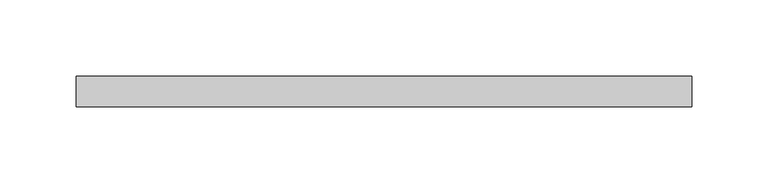
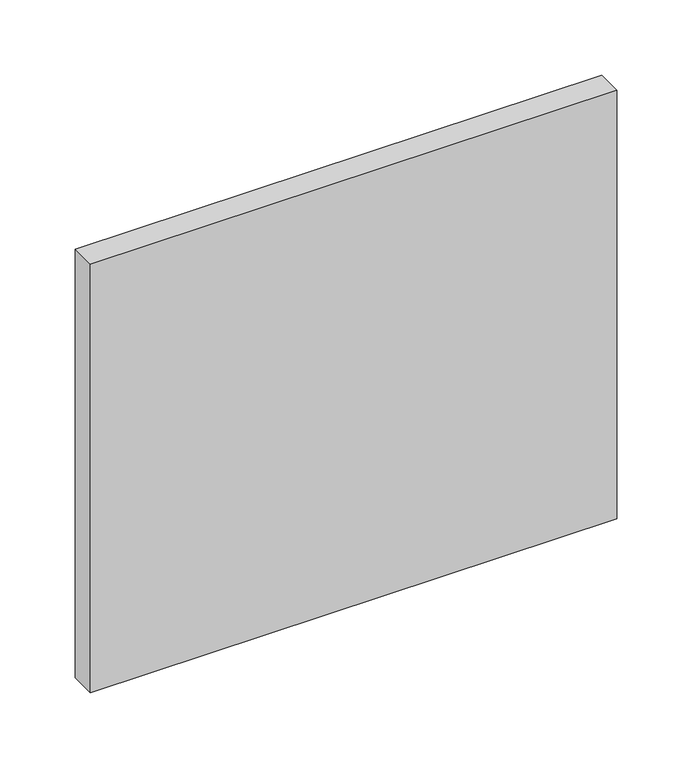
"""IFC4 building model written with IfcOpenShell, lengths in millimetres: plate geometry."""

import ifcopenshell
import ifcopenshell.guid

model = None  # the IFC model being written
_history = None  # IfcOwnerHistory: only IFC2X3 demands one
_inside = {}  # id of a spatial element -> (the spatial element, [elements in it])
_under = {}  # id of a project, library or spatial element -> (it, [spatial elements below it])
_declared = {}  # id of a project -> (the project, [libraries it declares])
_typed = {}  # id of a type object -> (the type object, [elements of that type])
_made_of = {}  # id of a material, layer set ... -> (it, [elements and type objects made of it])


def new_model(schema):
    """Start an empty IFC model of exactly this schema.

    Asked for "IFC4X3", IfcOpenShell would pick the latest addendum, in which some entities
    have other attributes; the version numbers below select the first issue.
    IFC2X3 requires an IfcOwnerHistory on every rooted entity: one is made here for all.
    """
    global model, _history
    if schema == "IFC4X3":
        model = ifcopenshell.file(schema_version=(4, 3, 0, 0))
    else:
        model = ifcopenshell.file(schema=schema)
    _inside.clear()
    _under.clear()
    _declared.clear()
    _typed.clear()
    _made_of.clear()
    _history = None
    if model.schema == "IFC2X3":
        org = make("IfcOrganization", Name="unknown")
        user = make(
            "IfcPersonAndOrganization",
            ThePerson=make("IfcPerson", FamilyName="unknown"),
            TheOrganization=org,
        )
        app = make(
            "IfcApplication",
            ApplicationDeveloper=org,
            Version="unknown",
            ApplicationFullName="unknown",
            ApplicationIdentifier="unknown",
        )
        _history = make(
            "IfcOwnerHistory",
            OwningUser=user,
            OwningApplication=app,
            ChangeAction="ADDED",
            CreationDate=0,
        )
    return model


def make(cls, **values):
    """One entity of the class cls with the attributes given. An attribute that is None is left unset."""
    return model.create_entity(
        cls, **{name: value for name, value in values.items() if value is not None}
    )


def rooted(cls, **values):
    """An entity with a GlobalId (a new one), such as an element, a storey or a relation."""
    return make(cls, GlobalId=ifcopenshell.guid.new(), OwnerHistory=_history, **values)


def si_unit(unit_type, name, prefix=None):
    """IfcSIUnit, for example si_unit("LENGTHUNIT", "METRE", prefix="MILLI")."""
    return make("IfcSIUnit", UnitType=unit_type, Prefix=prefix, Name=name)


def assignment(units):
    """IfcUnitAssignment: the units of a project."""
    return None if units is None else make("IfcUnitAssignment", Units=units)


def point(xyz):
    """IfcCartesianPoint."""
    return None if xyz is None else make("IfcCartesianPoint", Coordinates=xyz)


def direction(xyz):
    """IfcDirection."""
    return None if xyz is None else make("IfcDirection", DirectionRatios=xyz)


def frame(location, z_axis=None, x_axis=None):
    """IfcAxis2Placement3D, a coordinate frame: its origin and axes. An axis left out is left unset."""
    return make(
        "IfcAxis2Placement3D",
        Location=point(location),
        Axis=direction(z_axis),
        RefDirection=direction(x_axis),
    )


def origin():
    """The frame at (0, 0, 0) with its axes left unset."""
    return frame((0.0, 0.0, 0.0))


def origin_with_axes():
    """The frame at (0, 0, 0) with the z axis (0, 0, 1) and the x axis (1, 0, 0) written out."""
    return frame((0.0, 0.0, 0.0), z_axis=(0.0, 0.0, 1.0), x_axis=(1.0, 0.0, 0.0))


def place(relative_to, where):
    """IfcLocalPlacement: puts the frame where relative to a parent placement (None: the world)."""
    return make(
        "IfcLocalPlacement", PlacementRelTo=relative_to, RelativePlacement=where
    )


def context(
    kind, dimensions, precision=None, world=None, true_north=None, identifier=None
):
    """IfcGeometricRepresentationContext, for example the 3D "Model" context."""
    return make(
        "IfcGeometricRepresentationContext",
        ContextIdentifier=identifier,
        ContextType=kind,
        CoordinateSpaceDimension=dimensions,
        Precision=precision,
        WorldCoordinateSystem=world,
        TrueNorth=true_north,
    )


def project(units=None, contexts=None):
    """IfcProject with its units and contexts."""
    return rooted(
        "IfcProject",
        Name="project",
        RepresentationContexts=contexts,
        UnitsInContext=assignment(units),
    )


def spatial(cls, under=None, at=None, **own):
    """A site, building, storey or space (cls), placed at a placement, below another one or the project."""
    s = rooted(cls, ObjectPlacement=at, **own)
    if under is not None:
        _under.setdefault(under.id(), (under, []))[1].append(s)
    return s


def polyline(points):
    """IfcPolyline through the points."""
    return make("IfcPolyline", Points=[point(p) for p in points])


def outline(outer, holes=None, kind="AREA"):
    """IfcArbitraryClosedProfileDef: a profile drawn as a closed curve; with holes, ...WithVoids."""
    if holes is None:
        return make("IfcArbitraryClosedProfileDef", ProfileType=kind, OuterCurve=outer)
    return make(
        "IfcArbitraryProfileDefWithVoids",
        ProfileType=kind,
        OuterCurve=outer,
        InnerCurves=holes,
    )


def extrude(swept, where, along, depth):
    """IfcExtrudedAreaSolid: the profile swept, set in the frame where, extruded along a direction by depth."""
    return make(
        "IfcExtrudedAreaSolid",
        SweptArea=swept,
        Position=where,
        ExtrudedDirection=direction(along),
        Depth=depth,
    )


def shape(context_of_items, identifier, shape_type, items):
    """IfcShapeRepresentation: the items that make up one representation, for example the "Body"."""
    return make(
        "IfcShapeRepresentation",
        ContextOfItems=context_of_items,
        RepresentationIdentifier=identifier,
        RepresentationType=shape_type,
        Items=items,
    )


def source(mapping_origin, context_of_items, identifier, shape_type, items):
    """IfcRepresentationMap: a shape defined once, which mapped items show again and again."""
    return make(
        "IfcRepresentationMap",
        MappingOrigin=mapping_origin,
        MappedRepresentation=shape(context_of_items, identifier, shape_type, items),
    )


def transform(
    local_origin,
    x_axis=None,
    y_axis=None,
    z_axis=None,
    scale=None,
    scale2=None,
    scale3=None,
    uniform=True,
):
    """IfcCartesianTransformationOperator3D, or its non-uniform kind. x_axis, y_axis, z_axis: its Axis1, 2, 3."""
    if uniform:
        return make(
            "IfcCartesianTransformationOperator3D",
            Axis1=direction(x_axis),
            Axis2=direction(y_axis),
            LocalOrigin=point(local_origin),
            Scale=scale,
            Axis3=direction(z_axis),
        )
    return make(
        "IfcCartesianTransformationOperator3DnonUniform",
        Axis1=direction(x_axis),
        Axis2=direction(y_axis),
        LocalOrigin=point(local_origin),
        Scale=scale,
        Axis3=direction(z_axis),
        Scale2=scale2,
        Scale3=scale3,
    )


def mapped(mapping_source, mapping_target):
    """IfcMappedItem: shows the shape of a source again, moved by a transform."""
    return make(
        "IfcMappedItem", MappingSource=mapping_source, MappingTarget=mapping_target
    )


def made_of(thing, what):
    """Note that an element or type object is made of a material, layer set ...; save() writes the relation."""
    if what is not None:
        _made_of.setdefault(what.id(), (what, []))[1].append(thing)
    return thing


def element(
    cls,
    number,
    at=None,
    inside=None,
    cuts=None,
    type_object=None,
    material=None,
    context=None,
    identifier="Body",
    shape_type=None,
    held_by="IfcProductDefinitionShape",
    body=None,
    shapes=None,
    **own,
):
    """One element of the class cls, such as IfcWall. Its Tag is "e" and its number.

    at: its placement. inside: the storey or other place that contains it. cuts: it is an
    opening in that element (IfcRelVoidsElement). A single representation is given by context,
    identifier, shape_type and body (its items); several are given by shapes. held_by: the class
    of the entity that holds the representations. save() writes the other relations.
    """
    e = rooted(cls, Tag="e%d" % number, ObjectPlacement=at, **own)
    if body is not None:
        shapes = [shape(context, identifier, shape_type, body)]
    if shapes is not None:
        e.Representation = make(held_by, Representations=shapes)
    if inside is not None:
        _inside.setdefault(inside.id(), (inside, []))[1].append(e)
    if cuts is not None:
        rooted(
            "IfcRelVoidsElement", RelatingBuildingElement=cuts, RelatedOpeningElement=e
        )
    if type_object is not None:
        _typed.setdefault(type_object.id(), (type_object, []))[1].append(e)
    return made_of(e, material)


def aggregate(whole, parts):
    """IfcRelAggregates: a whole, such as a stair, and the parts it consists of."""
    return rooted("IfcRelAggregates", RelatingObject=whole, RelatedObjects=parts)


def save(model, path):
    """Write the relations noted so far, then the file.

    IfcRelAggregates (storeys below a building ...), IfcRelContainedInSpatialStructure (elements
    in a storey), IfcRelDefinesByType, IfcRelAssociatesMaterial and IfcRelDeclares: one each for
    every whole, place, type object, material and project.
    """
    for whole, parts in _under.values():
        aggregate(whole, parts)
    for where, things in _inside.values():
        rooted(
            "IfcRelContainedInSpatialStructure",
            RelatedElements=things,
            RelatingStructure=where,
        )
    for kind, things in _typed.values():
        rooted("IfcRelDefinesByType", RelatedObjects=things, RelatingType=kind)
    for what, things in _made_of.values():
        rooted("IfcRelAssociatesMaterial", RelatedObjects=things, RelatingMaterial=what)
    for by, libraries in _declared.values():
        rooted("IfcRelDeclares", RelatingContext=by, RelatedDefinitions=libraries)
    model.write(path)


def plate_f2cecf2c(model_context):
    return source(origin(), model_context, "Body", "SweptSolid", [
        extrude(outline(polyline([(202.3913043, 70.0), (-202.3913043, 70.0), (-202.3913043, 90.0), (202.3913043, 90.0), (202.3913043, 70.0)])), origin_with_axes(), (0.0, 0.0, 1.0), 348.3248819),
    ])


if __name__ == "__main__":
    model = new_model("IFC4")
    model_context = context("Model", 3, world=origin())
    ifc_project = project(units=[si_unit("LENGTHUNIT", "METRE", prefix="MILLI")], contexts=[model_context])
    site = spatial("IfcSite", under=ifc_project)
    building = spatial("IfcBuilding", under=site)
    placement = place(None, origin())
    plate_shape = plate_f2cecf2c(model_context)
    element("IfcPlate", 1, at=placement, inside=building, context=model_context, shape_type="MappedRepresentation", body=[
        mapped(plate_shape, transform((0.0, 0.0, 0.0), x_axis=(1.0, 0.0, 0.0), y_axis=(0.0, 1.0, 0.0), z_axis=(0.0, 0.0, 1.0))),
    ])
    save(model, "model.ifc")
